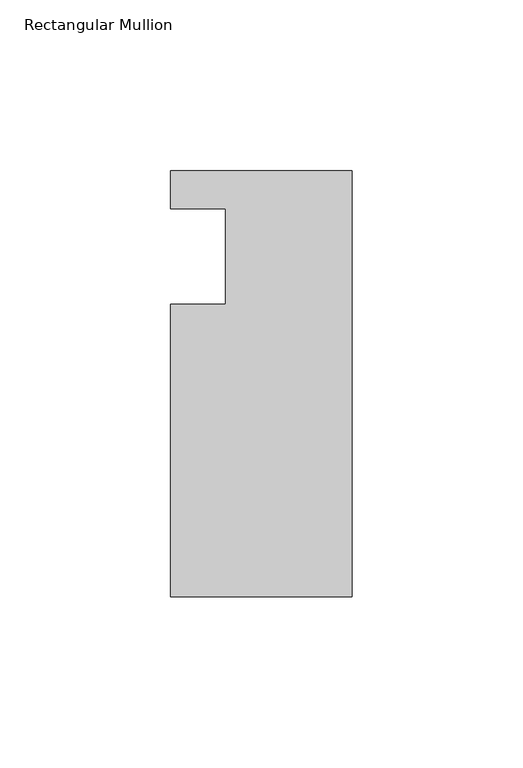
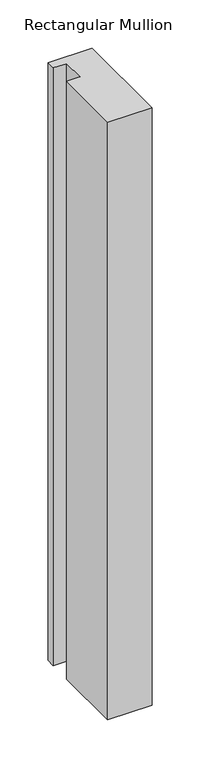
"""IFC4 building model written with IfcOpenShell, lengths in millimetres: member geometry, Rectangular Mullion."""

from ifc_helpers import new_model, si_unit, frame, origin, place, context, project, spatial, polyline, outline, extrude, source, transform, mapped, element, save


def rectangular_mullion_558d4221(model_context):
    return source(origin(), model_context, "Body", "SweptSolid", [
        extrude(outline(polyline([(-37.0, 13.9999453), (-53.0, 13.9999453), (-53.0, 24.9999453), (0.0, 24.9999453), (0.0, -99.5000547), (-53.0, -99.5000547), (-53.0, -14.0000547), (-37.0, -14.0000547), (-37.0, 13.9999453)])), frame((0.0, 0.0, -759.0051569), z_axis=(0.0, 0.0, 1.0), x_axis=(1.0, 0.0, 0.0)), (0.0, 0.0, 1.0), 759.0051569),
    ])


if __name__ == "__main__":
    model = new_model("IFC4")
    model_context = context("Model", 3, world=origin())
    ifc_project = project(units=[si_unit("LENGTHUNIT", "METRE", prefix="MILLI")], contexts=[model_context])
    site = spatial("IfcSite", under=ifc_project)
    building = spatial("IfcBuilding", under=site)
    placement = place(None, origin())
    rectangular_mullion_shape = rectangular_mullion_558d4221(model_context)
    element("IfcMember", 1, ObjectType="Rectangular Mullion", at=placement, inside=building, context=model_context, shape_type="MappedRepresentation", body=[
        mapped(rectangular_mullion_shape, transform((0.0, 0.0, 0.0), x_axis=(1.0, 0.0, 0.0), y_axis=(0.0, 1.0, 0.0), z_axis=(0.0, 0.0, 1.0))),
    ])
    save(model, "model.ifc")
